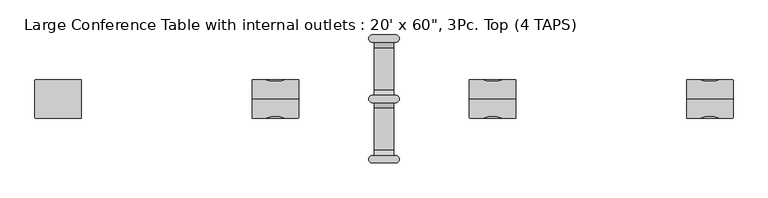
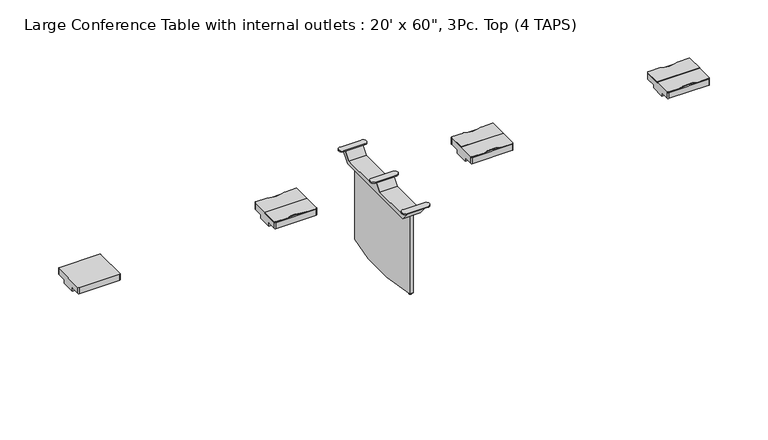
"""IFC4 building model written with IfcOpenShell, lengths in millimetres: furniture geometry."""

from ifc_helpers import new_model, si_unit, point, frame, frame_2d, origin, place, context, project, spatial, polyline, circle_curve, trimmed, segment, composite_curve, outline, extrude, source, transform, mapped, element, save
from ifc_brep_helpers import plane_surface, cylinder_surface, advanced_brep


def furniture_c6bd7531(model_context):
    return source(origin(), model_context, "Body", "SolidModel", [
        advanced_brep(
        [(63.4999939, 377.4971366, 685.8), (63.4999939, 334.1229042, 632.231419), (63.4999939, 58.0644064, 632.231419), (63.4999939, 14.690174, 685.8), (63.4999939, -14.690174, 685.8), (63.4999939, -58.0644064, 632.231419), (63.4999939, -334.1229042, 632.231419), (63.4999939, -377.4971366, 685.8), (63.4999939, -413.041021, 685.8), (63.4999939, -346.0750202, 603.6564), (63.4999939, 346.0750202, 603.6564), (63.4999939, 413.041021, 685.8), (-63.4999939, 413.041021, 685.8), (-63.4999939, 346.0750202, 603.6564), (-63.4999939, -346.0750202, 603.6564), (-63.4999939, -413.041021, 685.8), (-63.4999939, -377.4971366, 685.8), (-63.4999939, -334.1229042, 632.231419), (-63.4999939, -58.0644064, 632.231419), (-63.4999939, -14.690174, 685.8), (-63.4999939, 14.690174, 685.8), (-63.4999939, 58.0644064, 632.231419), (-63.4999939, 334.1229042, 632.231419), (-63.4999939, 377.4971366, 685.8), (-76.1999939, 371.1471366, 692.15), (76.1999939, 371.1471366, 692.15), (76.1999939, 419.391021, 692.15), (-76.1999939, 419.391021, 692.15), (-76.1999939, 371.1471366, 685.8), (-76.1999939, 419.391021, 685.8), (76.1999939, 419.391021, 685.8), (76.1999939, 371.1471366, 685.8), (-76.1999939, 24.1219422, 692.15), (-76.1999939, -24.1219422, 692.15), (76.1999939, -24.1219422, 692.15), (76.1999939, 24.1219422, 692.15), (-76.1999939, 24.1219422, 685.8), (76.1999939, 24.1219422, 685.8), (76.1999939, -24.1219422, 685.8), (-76.1999939, -24.1219422, 685.8), (-76.1999939, -371.1471366, 692.15), (-76.1999939, -419.391021, 692.15), (76.1999939, -419.391021, 692.15), (76.1999939, -371.1471366, 692.15), (-76.1999939, -371.1471366, 685.8), (76.1999939, -371.1471366, 685.8), (76.1999939, -419.391021, 685.8), (-76.1999939, -419.391021, 685.8)],
        [
            (0, 1),
            (1, 2),
            (2, 3),
            (3, 4),
            (4, 5),
            (5, 6),
            (6, 7),
            (7, 8),
            (8, 9),
            (9, 10),
            (10, 11),
            (11, 0),
            (12, 13),
            (13, 14),
            (14, 15),
            (15, 16),
            (16, 17),
            (17, 18),
            (18, 19),
            (19, 20),
            (20, 21),
            (21, 22),
            (22, 23),
            (23, 12),
            (0, 23),
            (22, 1),
            (21, 2),
            (20, 3),
            (4, 19),
            (18, 5),
            (17, 6),
            (16, 7),
            (8, 15),
            (14, 9),
            (13, 10),
            (12, 11),
            (24, 25),
            (25, 26, circle_curve(frame((76.1999939, 395.2690788, 692.15), z_axis=(0.0, 0.0, 1.0), x_axis=(1.0, 0.0, 0.0)), 24.1219422)),
            (26, 27),
            (27, 24, circle_curve(frame((-76.1999939, 395.2690788, 692.15), z_axis=(0.0, 0.0, 1.0), x_axis=(1.0, 0.0, 0.0)), 24.1219422)),
            (28, 29, circle_curve(frame((-76.1999939, 395.2690788, 685.8), z_axis=(0.0, 0.0, -1.0), x_axis=(1.0, 0.0, 0.0)), 24.1219422)),
            (29, 30),
            (30, 31, circle_curve(frame((76.1999939, 395.2690788, 685.8), z_axis=(0.0, 0.0, -1.0), x_axis=(1.0, 0.0, 0.0)), 24.1219422)),
            (31, 28),
            (24, 28),
            (31, 25),
            (30, 26),
            (29, 27),
            (32, 33, circle_curve(frame((-76.1999939, 0.0, 692.15), z_axis=(0.0, 0.0, 1.0), x_axis=(1.0, 0.0, 0.0)), 24.1219422)),
            (33, 34),
            (34, 35, circle_curve(frame((76.1999939, 0.0, 692.15), z_axis=(0.0, 0.0, 1.0), x_axis=(1.0, 0.0, 0.0)), 24.1219422)),
            (35, 32),
            (36, 37),
            (37, 38, circle_curve(frame((76.1999939, 0.0, 685.8), z_axis=(0.0, 0.0, -1.0), x_axis=(1.0, 0.0, 0.0)), 24.1219422)),
            (38, 39),
            (39, 36, circle_curve(frame((-76.1999939, 0.0, 685.8), z_axis=(0.0, 0.0, -1.0), x_axis=(1.0, 0.0, 0.0)), 24.1219422)),
            (32, 36),
            (39, 33),
            (38, 34),
            (37, 35),
            (40, 41, circle_curve(frame((-76.1999939, -395.2690788, 692.15), z_axis=(0.0, 0.0, 1.0), x_axis=(1.0, 0.0, 0.0)), 24.1219422)),
            (41, 42),
            (42, 43, circle_curve(frame((76.1999939, -395.2690788, 692.15), z_axis=(0.0, 0.0, 1.0), x_axis=(1.0, 0.0, 0.0)), 24.1219422)),
            (43, 40),
            (44, 45),
            (45, 46, circle_curve(frame((76.1999939, -395.2690788, 685.8), z_axis=(0.0, 0.0, -1.0), x_axis=(1.0, 0.0, 0.0)), 24.1219422)),
            (46, 47),
            (47, 44, circle_curve(frame((-76.1999939, -395.2690788, 685.8), z_axis=(0.0, 0.0, -1.0), x_axis=(1.0, 0.0, 0.0)), 24.1219422)),
            (40, 44),
            (47, 41),
            (46, 42),
            (45, 43),
        ],
        [
            plane_surface(frame((63.4999939, 413.041021, 685.8), z_axis=(1.0, 0.0, 0.0), x_axis=(0.0, -1.0, 0.0))),
            plane_surface(frame((-63.4999939, 413.041021, 685.8), z_axis=(-1.0, 0.0, 0.0), x_axis=(0.0, 1.0, 0.0))),
            plane_surface(frame((63.4999939, 377.4971366, 685.8), z_axis=(0.0, -0.7771796582418651, 0.6292787767079531), x_axis=(-1.0, 0.0, 0.0))),
            plane_surface(frame((63.4999939, 334.1229042, 632.231419), z_axis=(0.0, 0.0, 1.0), x_axis=(-1.0, 0.0, 0.0))),
            plane_surface(frame((63.4999939, 58.0644064, 632.231419), z_axis=(0.0, 0.7771796582418641, 0.6292787767079544), x_axis=(-1.0, 0.0, 0.0))),
            plane_surface(frame((63.4999939, -14.690174, 685.8), z_axis=(0.0, -0.7771796582418647, 0.6292787767079535), x_axis=(-1.0, 0.0, 0.0))),
            plane_surface(frame((63.4999939, -58.0644064, 632.231419), z_axis=(0.0, 0.0, 1.0), x_axis=(-1.0, 0.0, 0.0))),
            plane_surface(frame((63.4999939, -334.1229042, 632.231419), z_axis=(0.0, 0.7771796582418651, 0.6292787767079531), x_axis=(-1.0, 0.0, 0.0))),
            plane_surface(frame((63.4999939, -413.041021, 685.8), z_axis=(0.0, -0.7750770363464348, -0.6318667483959157), x_axis=(-1.0, 0.0, 0.0))),
            plane_surface(frame((63.4999939, -346.0750202, 603.6564), z_axis=(0.0, 0.0, -1.0), x_axis=(-1.0, 0.0, 0.0))),
            plane_surface(frame((63.4999939, 346.0750202, 603.6564), z_axis=(0.0, 0.7750770363464435, -0.631866748395905), x_axis=(-1.0, 0.0, 0.0))),
            plane_surface(frame((57.7020398, 371.1471366, 692.15), z_axis=(0.0, 0.0, 1.0), x_axis=(1.0, 0.0, 0.0))),
            plane_surface(frame((57.7020398, 371.1471366, 685.8), z_axis=(0.0, 0.0, -1.0), x_axis=(-1.0, 0.0, 0.0))),
            plane_surface(frame((-76.1999939, 371.1471366, 692.15), z_axis=(0.0, -1.0, 0.0), x_axis=(0.0, 0.0, -1.0))),
            cylinder_surface(frame((76.1999939, 395.2690788, 685.8), z_axis=(0.0, 0.0, 1.0), x_axis=(1.0, 0.0, 0.0)), 24.1219422),
            plane_surface(frame((76.1999939, 419.391021, 692.15), z_axis=(0.0, 1.0, 0.0), x_axis=(0.0, 0.0, -1.0))),
            cylinder_surface(frame((-76.1999939, 395.2690788, 685.8), z_axis=(0.0, 0.0, 1.0), x_axis=(1.0, 0.0, 0.0)), 24.1219422),
            plane_surface(frame((-52.0780517, 0.0, 692.15), z_axis=(0.0, 0.0, 1.0), x_axis=(0.0, 1.0, 0.0))),
            plane_surface(frame((-52.0780517, 0.0, 685.8), z_axis=(0.0, 0.0, -1.0), x_axis=(0.0, -1.0, 0.0))),
            cylinder_surface(frame((-76.1999939, 0.0, 685.8), z_axis=(0.0, 0.0, 1.0), x_axis=(1.0, 0.0, 0.0)), 24.1219422),
            plane_surface(frame((-76.1999939, -24.1219422, 692.15), z_axis=(0.0, -1.0, 0.0), x_axis=(0.0, 0.0, -1.0))),
            cylinder_surface(frame((76.1999939, 0.0, 685.8), z_axis=(0.0, 0.0, 1.0), x_axis=(1.0, 0.0, 0.0)), 24.1219422),
            plane_surface(frame((76.1999939, 24.1219422, 692.15), z_axis=(0.0, 1.0, 0.0), x_axis=(0.0, 0.0, -1.0))),
            plane_surface(frame((-52.0780517, -395.2690788, 692.15), z_axis=(0.0, 0.0, 1.0), x_axis=(0.0, 1.0, 0.0))),
            plane_surface(frame((-52.0780517, -395.2690788, 685.8), z_axis=(0.0, 0.0, -1.0), x_axis=(0.0, -1.0, 0.0))),
            cylinder_surface(frame((-76.1999939, -395.2690788, 685.8), z_axis=(0.0, 0.0, 1.0), x_axis=(1.0, 0.0, 0.0)), 24.1219422),
            plane_surface(frame((-76.1999939, -419.391021, 692.15), z_axis=(0.0, -1.0, 0.0), x_axis=(0.0, 0.0, -1.0))),
            cylinder_surface(frame((76.1999939, -395.2690788, 685.8), z_axis=(0.0, 0.0, 1.0), x_axis=(1.0, 0.0, 0.0)), 24.1219422),
            plane_surface(frame((76.1999939, -371.1471366, 692.15), z_axis=(0.0, 1.0, 0.0), x_axis=(0.0, 0.0, -1.0))),
        ],
        [
            (0, [[1, 2, 3, 4, 5, 6, 7, 8, 9, 10, 11, 12]]),
            (1, [[13, 14, 15, 16, 17, 18, 19, 20, 21, 22, 23, 24]]),
            (2, [[-1, 25, -23, 26]]),
            (3, [[-2, -26, -22, 27]]),
            (4, [[-3, -27, -21, 28]]),
            (5, [[-5, 29, -19, 30]]),
            (6, [[-6, -30, -18, 31]]),
            (7, [[-7, -31, -17, 32]]),
            (8, [[-9, 33, -15, 34]]),
            (9, [[-10, -34, -14, 35]]),
            (10, [[-11, -35, -13, 36]]),
            (11, [[37, 38, 39, 40]]),
            (12, [[41, 42, 43, 44], [-12, -36, -24, -25]]),
            (13, [[-37, 45, -44, 46]]),
            (14, [[-38, -46, -43, 47]]),
            (15, [[-39, -47, -42, 48]]),
            (16, [[-40, -48, -41, -45]]),
            (17, [[49, 50, 51, 52]]),
            (18, [[53, 54, 55, 56], [-4, -28, -20, -29]]),
            (19, [[-49, 57, -56, 58]]),
            (20, [[-50, -58, -55, 59]]),
            (21, [[-51, -59, -54, 60]]),
            (22, [[-52, -60, -53, -57]]),
            (23, [[61, 62, 63, 64]]),
            (24, [[65, 66, 67, 68], [-8, -32, -16, -33]]),
            (25, [[-61, 69, -68, 70]]),
            (26, [[-62, -70, -67, 71]]),
            (27, [[-63, -71, -66, 72]]),
            (28, [[-64, -72, -65, -69]]),
        ],
    ),
        advanced_brep(
        [(-19.05, -127.0, 0.0), (-19.05, -137.31875, 0.0), (-19.05, -116.68125, 0.0), (-19.05, -123.03125, 9.525), (-19.05, -130.96875, 9.525), (-19.05, -127.0, 9.525), (-19.05, -123.03125, 6.35), (-19.05, -130.96875, 6.35), (-19.05, -116.68125, 6.35), (-19.05, -137.31875, 6.35)],
        [
            (0, 1),
            (1, 2, circle_curve(frame((-19.05, -127.0, 0.0), z_axis=(0.0, 0.0, -1.0), x_axis=(0.0, -1.0, 0.0)), 10.31875)),
            (2, 0),
            (2, 1, circle_curve(frame((-19.05, -127.0, 0.0), z_axis=(0.0, 0.0, -1.0), x_axis=(0.0, -1.0, 0.0)), 10.31875)),
            (3, 4, circle_curve(frame((-19.05, -127.0, 9.525), z_axis=(0.0, 0.0, 1.0), x_axis=(0.0, -1.0, 0.0)), 3.96875)),
            (4, 5),
            (5, 3),
            (4, 3, circle_curve(frame((-19.05, -127.0, 9.525), z_axis=(0.0, 0.0, 1.0), x_axis=(0.0, -1.0, 0.0)), 3.96875)),
            (6, 7, circle_curve(frame((-19.05, -127.0, 6.35), z_axis=(0.0, 0.0, 1.0), x_axis=(0.0, -1.0, 0.0)), 3.96875)),
            (7, 4),
            (3, 6),
            (7, 6, circle_curve(frame((-19.05, -127.0, 6.35), z_axis=(0.0, 0.0, 1.0), x_axis=(0.0, -1.0, 0.0)), 3.96875)),
            (8, 9, circle_curve(frame((-19.05, -127.0, 6.35), z_axis=(0.0, 0.0, 1.0), x_axis=(0.0, -1.0, 0.0)), 10.31875)),
            (9, 7),
            (6, 8),
            (9, 8, circle_curve(frame((-19.05, -127.0, 6.35), z_axis=(0.0, 0.0, 1.0), x_axis=(0.0, -1.0, 0.0)), 10.31875)),
            (1, 9),
            (8, 2),
        ],
        [
            plane_surface(frame((-19.05, -127.0, 0.0), z_axis=(0.0, 0.0, -1.0), x_axis=(0.0, -1.0, 0.0))),
            plane_surface(frame((-19.05, -127.0, 9.525), z_axis=(0.0, 0.0, 1.0), x_axis=(0.0, -1.0, 0.0))),
            cylinder_surface(frame((-19.05, -127.0, 2435.225), z_axis=(0.0, 0.0, -1.0), x_axis=(0.0, -1.0, 0.0)), 3.96875),
            plane_surface(frame((-19.05, -127.0, 6.35), z_axis=(0.0, 0.0, 1.0), x_axis=(0.0, -1.0, 0.0))),
            cylinder_surface(frame((-19.05, -127.0, 2435.225), z_axis=(0.0, 0.0, -1.0), x_axis=(0.0, -1.0, 0.0)), 10.31875),
        ],
        [
            (0, [[1, 2, 3]]),
            (0, [[-3, 4, -1]]),
            (1, [[5, 6, 7]]),
            (1, [[8, -7, -6]]),
            (2, [[9, 10, -5, 11]]),
            (2, [[12, -11, -8, -10]]),
            (3, [[13, 14, -9, 15]]),
            (3, [[16, -15, -12, -14]]),
            (4, [[-2, 17, -13, 18]]),
            (4, [[-4, -18, -16, -17]]),
        ],
    ),
        advanced_brep(
        [(-19.05, 127.0, 0.0), (-19.05, 116.68125, 0.0), (-19.05, 137.31875, 0.0), (-19.05, 130.96875, 9.525), (-19.05, 123.03125, 9.525), (-19.05, 127.0, 9.525), (-19.05, 130.96875, 6.35), (-19.05, 123.03125, 6.35), (-19.05, 137.31875, 6.35), (-19.05, 116.68125, 6.35)],
        [
            (0, 1),
            (1, 2, circle_curve(frame((-19.05, 127.0, 0.0), z_axis=(0.0, 0.0, -1.0), x_axis=(0.0, -1.0, 0.0)), 10.31875)),
            (2, 0),
            (2, 1, circle_curve(frame((-19.05, 127.0, 0.0), z_axis=(0.0, 0.0, -1.0), x_axis=(0.0, -1.0, 0.0)), 10.31875)),
            (3, 4, circle_curve(frame((-19.05, 127.0, 9.525), z_axis=(0.0, 0.0, 1.0), x_axis=(0.0, -1.0, 0.0)), 3.96875)),
            (4, 5),
            (5, 3),
            (4, 3, circle_curve(frame((-19.05, 127.0, 9.525), z_axis=(0.0, 0.0, 1.0), x_axis=(0.0, -1.0, 0.0)), 3.96875)),
            (6, 7, circle_curve(frame((-19.05, 127.0, 6.35), z_axis=(0.0, 0.0, 1.0), x_axis=(0.0, -1.0, 0.0)), 3.96875)),
            (7, 4),
            (3, 6),
            (7, 6, circle_curve(frame((-19.05, 127.0, 6.35), z_axis=(0.0, 0.0, 1.0), x_axis=(0.0, -1.0, 0.0)), 3.96875)),
            (8, 9, circle_curve(frame((-19.05, 127.0, 6.35), z_axis=(0.0, 0.0, 1.0), x_axis=(0.0, -1.0, 0.0)), 10.31875)),
            (9, 7),
            (6, 8),
            (9, 8, circle_curve(frame((-19.05, 127.0, 6.35), z_axis=(0.0, 0.0, 1.0), x_axis=(0.0, -1.0, 0.0)), 10.31875)),
            (1, 9),
            (8, 2),
        ],
        [
            plane_surface(frame((-19.05, 127.0, 0.0), z_axis=(0.0, 0.0, -1.0), x_axis=(0.0, -1.0, 0.0))),
            plane_surface(frame((-19.05, 127.0, 9.525), z_axis=(0.0, 0.0, 1.0), x_axis=(0.0, -1.0, 0.0))),
            cylinder_surface(frame((-19.05, 127.0, 2435.225), z_axis=(0.0, 0.0, -1.0), x_axis=(0.0, -1.0, 0.0)), 3.96875),
            plane_surface(frame((-19.05, 127.0, 6.35), z_axis=(0.0, 0.0, 1.0), x_axis=(0.0, -1.0, 0.0))),
            cylinder_surface(frame((-19.05, 127.0, 2435.225), z_axis=(0.0, 0.0, -1.0), x_axis=(0.0, -1.0, 0.0)), 10.31875),
        ],
        [
            (0, [[1, 2, 3]]),
            (0, [[-3, 4, -1]]),
            (1, [[5, 6, 7]]),
            (1, [[8, -7, -6]]),
            (2, [[9, 10, -5, 11]]),
            (2, [[12, -11, -8, -10]]),
            (3, [[13, 14, -9, 15]]),
            (3, [[16, -15, -12, -14]]),
            (4, [[-2, 17, -13, 18]]),
            (4, [[-4, -18, -16, -17]]),
        ],
    ),
        advanced_brep(
        [(19.05, -116.68125, 6.35), (19.05, -137.31875, 6.35), (19.05, -137.31875, 0.0), (19.05, -116.68125, 0.0), (19.05, -123.03125, 6.35), (19.05, -130.96875, 6.35), (19.05, -123.03125, 9.525), (19.05, -130.96875, 9.525), (19.05, -127.0, 9.525), (19.05, -127.0, 0.0)],
        [
            (0, 1, circle_curve(frame((19.05, -127.0, 6.35), z_axis=(0.0, 0.0, -1.0), x_axis=(0.0, -1.0, 0.0)), 10.31875)),
            (1, 2),
            (2, 3, circle_curve(frame((19.05, -127.0, 0.0), z_axis=(0.0, 0.0, 1.0), x_axis=(0.0, -1.0, 0.0)), 10.31875)),
            (3, 0),
            (1, 0, circle_curve(frame((19.05, -127.0, 6.35), z_axis=(0.0, 0.0, -1.0), x_axis=(0.0, -1.0, 0.0)), 10.31875)),
            (3, 2, circle_curve(frame((19.05, -127.0, 0.0), z_axis=(0.0, 0.0, 1.0), x_axis=(0.0, -1.0, 0.0)), 10.31875)),
            (4, 5, circle_curve(frame((19.05, -127.0, 6.35), z_axis=(0.0, 0.0, -1.0), x_axis=(0.0, -1.0, 0.0)), 3.96875)),
            (5, 1),
            (0, 4),
            (5, 4, circle_curve(frame((19.05, -127.0, 6.35), z_axis=(0.0, 0.0, -1.0), x_axis=(0.0, -1.0, 0.0)), 3.96875)),
            (6, 7, circle_curve(frame((19.05, -127.0, 9.525), z_axis=(0.0, 0.0, -1.0), x_axis=(0.0, -1.0, 0.0)), 3.96875)),
            (7, 5),
            (4, 6),
            (7, 6, circle_curve(frame((19.05, -127.0, 9.525), z_axis=(0.0, 0.0, -1.0), x_axis=(0.0, -1.0, 0.0)), 3.96875)),
            (8, 7),
            (6, 8),
            (2, 9),
            (9, 3),
        ],
        [
            cylinder_surface(frame((19.05, -127.0, 2435.225), z_axis=(0.0, 0.0, 1.0), x_axis=(0.0, -1.0, 0.0)), 10.31875),
            plane_surface(frame((19.05, -127.0, 6.35), z_axis=(0.0, 0.0, 1.0), x_axis=(0.0, -1.0, 0.0))),
            cylinder_surface(frame((19.05, -127.0, 2435.225), z_axis=(0.0, 0.0, 1.0), x_axis=(0.0, -1.0, 0.0)), 3.96875),
            plane_surface(frame((19.05, -127.0, 9.525), z_axis=(0.0, 0.0, 1.0), x_axis=(0.0, -1.0, 0.0))),
            plane_surface(frame((19.05, -127.0, 0.0), z_axis=(0.0, 0.0, -1.0), x_axis=(0.0, -1.0, 0.0))),
        ],
        [
            (0, [[1, 2, 3, 4]]),
            (0, [[5, -4, 6, -2]]),
            (1, [[7, 8, -1, 9]]),
            (1, [[10, -9, -5, -8]]),
            (2, [[11, 12, -7, 13]]),
            (2, [[14, -13, -10, -12]]),
            (3, [[15, -11, 16]]),
            (3, [[-16, -14, -15]]),
            (4, [[-3, 17, 18]]),
            (4, [[-6, -18, -17]]),
        ],
    ),
        advanced_brep(
        [(19.05, 137.31875, 6.35), (19.05, 116.68125, 6.35), (19.05, 116.68125, 0.0), (19.05, 137.31875, 0.0), (19.05, 130.96875, 6.35), (19.05, 123.03125, 6.35), (19.05, 130.96875, 9.525), (19.05, 123.03125, 9.525), (19.05, 127.0, 9.525), (19.05, 127.0, 0.0)],
        [
            (0, 1, circle_curve(frame((19.05, 127.0, 6.35), z_axis=(0.0, 0.0, -1.0), x_axis=(0.0, -1.0, 0.0)), 10.31875)),
            (1, 2),
            (2, 3, circle_curve(frame((19.05, 127.0, 0.0), z_axis=(0.0, 0.0, 1.0), x_axis=(0.0, -1.0, 0.0)), 10.31875)),
            (3, 0),
            (1, 0, circle_curve(frame((19.05, 127.0, 6.35), z_axis=(0.0, 0.0, -1.0), x_axis=(0.0, -1.0, 0.0)), 10.31875)),
            (3, 2, circle_curve(frame((19.05, 127.0, 0.0), z_axis=(0.0, 0.0, 1.0), x_axis=(0.0, -1.0, 0.0)), 10.31875)),
            (4, 5, circle_curve(frame((19.05, 127.0, 6.35), z_axis=(0.0, 0.0, -1.0), x_axis=(0.0, -1.0, 0.0)), 3.96875)),
            (5, 1),
            (0, 4),
            (5, 4, circle_curve(frame((19.05, 127.0, 6.35), z_axis=(0.0, 0.0, -1.0), x_axis=(0.0, -1.0, 0.0)), 3.96875)),
            (6, 7, circle_curve(frame((19.05, 127.0, 9.525), z_axis=(0.0, 0.0, -1.0), x_axis=(0.0, -1.0, 0.0)), 3.96875)),
            (7, 5),
            (4, 6),
            (7, 6, circle_curve(frame((19.05, 127.0, 9.525), z_axis=(0.0, 0.0, -1.0), x_axis=(0.0, -1.0, 0.0)), 3.96875)),
            (8, 7),
            (6, 8),
            (2, 9),
            (9, 3),
        ],
        [
            cylinder_surface(frame((19.05, 127.0, 2435.225), z_axis=(0.0, 0.0, 1.0), x_axis=(0.0, -1.0, 0.0)), 10.31875),
            plane_surface(frame((19.05, 127.0, 6.35), z_axis=(0.0, 0.0, 1.0), x_axis=(0.0, -1.0, 0.0))),
            cylinder_surface(frame((19.05, 127.0, 2435.225), z_axis=(0.0, 0.0, 1.0), x_axis=(0.0, -1.0, 0.0)), 3.96875),
            plane_surface(frame((19.05, 127.0, 9.525), z_axis=(0.0, 0.0, 1.0), x_axis=(0.0, -1.0, 0.0))),
            plane_surface(frame((19.05, 127.0, 0.0), z_axis=(0.0, 0.0, -1.0), x_axis=(0.0, -1.0, 0.0))),
        ],
        [
            (0, [[1, 2, 3, 4]]),
            (0, [[5, -4, 6, -2]]),
            (1, [[7, 8, -1, 9]]),
            (1, [[10, -9, -5, -8]]),
            (2, [[11, 12, -7, 13]]),
            (2, [[14, -13, -10, -12]]),
            (3, [[15, -11, 16]]),
            (3, [[-16, -14, -15]]),
            (4, [[-3, 17, 18]]),
            (4, [[-6, -18, -17]]),
        ],
    ),
        advanced_brep(
        [(0.0, 330.2, 0.0), (0.0, 319.88125, 0.0), (0.0, 340.51875, 0.0), (0.0, 334.16875, 9.525), (0.0, 326.23125, 9.525), (0.0, 330.2, 9.525), (0.0, 334.16875, 6.35), (0.0, 326.23125, 6.35), (0.0, 340.51875, 6.35), (0.0, 319.88125, 6.35)],
        [
            (0, 1),
            (1, 2, circle_curve(frame((0.0, 330.2, 0.0), z_axis=(0.0, 0.0, -1.0), x_axis=(0.0, -1.0, 0.0)), 10.31875)),
            (2, 0),
            (2, 1, circle_curve(frame((0.0, 330.2, 0.0), z_axis=(0.0, 0.0, -1.0), x_axis=(0.0, -1.0, 0.0)), 10.31875)),
            (3, 4, circle_curve(frame((0.0, 330.2, 9.525), z_axis=(0.0, 0.0, 1.0), x_axis=(0.0, -1.0, 0.0)), 3.96875)),
            (4, 5),
            (5, 3),
            (4, 3, circle_curve(frame((0.0, 330.2, 9.525), z_axis=(0.0, 0.0, 1.0), x_axis=(0.0, -1.0, 0.0)), 3.96875)),
            (6, 7, circle_curve(frame((0.0, 330.2, 6.35), z_axis=(0.0, 0.0, 1.0), x_axis=(0.0, -1.0, 0.0)), 3.96875)),
            (7, 4),
            (3, 6),
            (7, 6, circle_curve(frame((0.0, 330.2, 6.35), z_axis=(0.0, 0.0, 1.0), x_axis=(0.0, -1.0, 0.0)), 3.96875)),
            (8, 9, circle_curve(frame((0.0, 330.2, 6.35), z_axis=(0.0, 0.0, 1.0), x_axis=(0.0, -1.0, 0.0)), 10.31875)),
            (9, 7),
            (6, 8),
            (9, 8, circle_curve(frame((0.0, 330.2, 6.35), z_axis=(0.0, 0.0, 1.0), x_axis=(0.0, -1.0, 0.0)), 10.31875)),
            (1, 9),
            (8, 2),
        ],
        [
            plane_surface(frame((0.0, 330.2, 0.0), z_axis=(0.0, 0.0, -1.0), x_axis=(0.0, -1.0, 0.0))),
            plane_surface(frame((0.0, 330.2, 9.525), z_axis=(0.0, 0.0, 1.0), x_axis=(0.0, -1.0, 0.0))),
            cylinder_surface(frame((0.0, 330.2, 2435.225), z_axis=(0.0, 0.0, -1.0), x_axis=(0.0, -1.0, 0.0)), 3.96875),
            plane_surface(frame((0.0, 330.2, 6.35), z_axis=(0.0, 0.0, 1.0), x_axis=(0.0, -1.0, 0.0))),
            cylinder_surface(frame((0.0, 330.2, 2435.225), z_axis=(0.0, 0.0, -1.0), x_axis=(0.0, -1.0, 0.0)), 10.31875),
        ],
        [
            (0, [[1, 2, 3]]),
            (0, [[-3, 4, -1]]),
            (1, [[5, 6, 7]]),
            (1, [[8, -7, -6]]),
            (2, [[9, 10, -5, 11]]),
            (2, [[12, -11, -8, -10]]),
            (3, [[13, 14, -9, 15]]),
            (3, [[16, -15, -12, -14]]),
            (4, [[-2, 17, -13, 18]]),
            (4, [[-4, -18, -16, -17]]),
        ],
    ),
        advanced_brep(
        [(0.0, -330.2, 0.0), (0.0, -340.51875, 0.0), (0.0, -319.88125, 0.0), (0.0, -326.23125, 9.525), (0.0, -334.16875, 9.525), (0.0, -330.2, 9.525), (0.0, -326.23125, 6.35), (0.0, -334.16875, 6.35), (0.0, -319.88125, 6.35), (0.0, -340.51875, 6.35)],
        [
            (0, 1),
            (1, 2, circle_curve(frame((0.0, -330.2, 0.0), z_axis=(0.0, 0.0, -1.0), x_axis=(0.0, -1.0, 0.0)), 10.31875)),
            (2, 0),
            (2, 1, circle_curve(frame((0.0, -330.2, 0.0), z_axis=(0.0, 0.0, -1.0), x_axis=(0.0, -1.0, 0.0)), 10.31875)),
            (3, 4, circle_curve(frame((0.0, -330.2, 9.525), z_axis=(0.0, 0.0, 1.0), x_axis=(0.0, -1.0, 0.0)), 3.96875)),
            (4, 5),
            (5, 3),
            (4, 3, circle_curve(frame((0.0, -330.2, 9.525), z_axis=(0.0, 0.0, 1.0), x_axis=(0.0, -1.0, 0.0)), 3.96875)),
            (6, 7, circle_curve(frame((0.0, -330.2, 6.35), z_axis=(0.0, 0.0, 1.0), x_axis=(0.0, -1.0, 0.0)), 3.96875)),
            (7, 4),
            (3, 6),
            (7, 6, circle_curve(frame((0.0, -330.2, 6.35), z_axis=(0.0, 0.0, 1.0), x_axis=(0.0, -1.0, 0.0)), 3.96875)),
            (8, 9, circle_curve(frame((0.0, -330.2, 6.35), z_axis=(0.0, 0.0, 1.0), x_axis=(0.0, -1.0, 0.0)), 10.31875)),
            (9, 7),
            (6, 8),
            (9, 8, circle_curve(frame((0.0, -330.2, 6.35), z_axis=(0.0, 0.0, 1.0), x_axis=(0.0, -1.0, 0.0)), 10.31875)),
            (1, 9),
            (8, 2),
        ],
        [
            plane_surface(frame((0.0, -330.2, 0.0), z_axis=(0.0, 0.0, -1.0), x_axis=(0.0, -1.0, 0.0))),
            plane_surface(frame((0.0, -330.2, 9.525), z_axis=(0.0, 0.0, 1.0), x_axis=(0.0, -1.0, 0.0))),
            cylinder_surface(frame((0.0, -330.2, 2435.225), z_axis=(0.0, 0.0, -1.0), x_axis=(0.0, -1.0, 0.0)), 3.96875),
            plane_surface(frame((0.0, -330.2, 6.35), z_axis=(0.0, 0.0, 1.0), x_axis=(0.0, -1.0, 0.0))),
            cylinder_surface(frame((0.0, -330.2, 2435.225), z_axis=(0.0, 0.0, -1.0), x_axis=(0.0, -1.0, 0.0)), 10.31875),
        ],
        [
            (0, [[1, 2, 3]]),
            (0, [[-3, 4, -1]]),
            (1, [[5, 6, 7]]),
            (1, [[8, -7, -6]]),
            (2, [[9, 10, -5, 11]]),
            (2, [[12, -11, -8, -10]]),
            (3, [[13, 14, -9, 15]]),
            (3, [[16, -15, -12, -14]]),
            (4, [[-2, 17, -13, 18]]),
            (4, [[-4, -18, -16, -17]]),
        ],
    ),
        extrude(outline(composite_curve([segment(polyline([(-12.6999697, 342.9), (12.6999697, 342.9)]), True, "CONTINUOUS"), segment(trimmed(circle_curve(frame_2d((-1511.2987888, 0.0)), 1562.0987888), [point((12.6999697, 342.9))], [point((12.6999697, -342.9))], False, "CARTESIAN"), True, "CONTINUOUS"), segment(polyline([(12.6999697, -342.9), (-12.6999697, -342.9)]), True, "CONTINUOUS"), segment(trimmed(circle_curve(frame_2d((1511.2987888, 0.0)), 1562.0987888), [point((-12.6999697, -342.9))], [point((-12.6999697, 342.9))], False, "CARTESIAN"), True, "CONTINUOUS")], self_intersect=False)), frame((0.0, 0.0, 9.525), z_axis=(0.0, 0.0, 1.0), x_axis=(1.0, 0.0, 0.0)), (0.0, 0.0, 1.0), 594.1314),
        advanced_brep(
        [(857.25, 127.0, 717.55), (565.15, 127.0, 717.55), (558.8, 120.65, 717.55), (558.8, -120.65, 717.55), (565.15, -127.0, 717.55), (857.25, -127.0, 717.55), (863.6, -120.65, 717.55), (863.6, 120.65, 717.55), (857.25, 127.0, 673.1), (863.6, 120.65, 673.1), (863.6, 50.8, 673.1), (558.8, 50.8, 673.1), (558.8, 120.65, 673.1), (565.15, 127.0, 673.1), (863.6, -120.65, 673.1), (857.25, -127.0, 673.1), (565.15, -127.0, 673.1), (558.8, -120.65, 673.1), (558.8, -50.8, 673.1), (863.6, -50.8, 673.1), (558.8, 50.8, 647.7), (558.8, -50.8, 647.7), (863.6, -50.8, 647.7), (863.6, 50.8, 647.7)],
        [
            (0, 1),
            (1, 2, circle_curve(frame((565.15, 120.65, 717.55), z_axis=(0.0, 0.0, 1.0), x_axis=(1.0, 0.0, 0.0)), 6.35)),
            (2, 3),
            (3, 4, circle_curve(frame((565.15, -120.65, 717.55), z_axis=(0.0, 0.0, 1.0), x_axis=(1.0, 0.0, 0.0)), 6.35)),
            (4, 5),
            (5, 6, circle_curve(frame((857.25, -120.65, 717.55), z_axis=(0.0, 0.0, 1.0), x_axis=(1.0, 0.0, 0.0)), 6.35)),
            (6, 7),
            (7, 0, circle_curve(frame((857.25, 120.65, 717.55), z_axis=(0.0, 0.0, 1.0), x_axis=(1.0, 0.0, 0.0)), 6.35)),
            (8, 9, circle_curve(frame((857.25, 120.65, 673.1), z_axis=(0.0, 0.0, -1.0), x_axis=(1.0, 0.0, 0.0)), 6.35)),
            (9, 10),
            (10, 11),
            (11, 12),
            (12, 13, circle_curve(frame((565.15, 120.65, 673.1), z_axis=(0.0, 0.0, -1.0), x_axis=(1.0, 0.0, 0.0)), 6.35)),
            (13, 8),
            (14, 15, circle_curve(frame((857.25, -120.65, 673.1), z_axis=(0.0, 0.0, -1.0), x_axis=(1.0, 0.0, 0.0)), 6.35)),
            (15, 16),
            (16, 17, circle_curve(frame((565.15, -120.65, 673.1), z_axis=(0.0, 0.0, -1.0), x_axis=(1.0, 0.0, 0.0)), 6.35)),
            (17, 18),
            (18, 19),
            (19, 14),
            (0, 8),
            (13, 1),
            (12, 2),
            (11, 20),
            (20, 21),
            (21, 18),
            (17, 3),
            (16, 4),
            (15, 5),
            (14, 6),
            (19, 22),
            (22, 23),
            (23, 10),
            (9, 7),
            (22, 21),
            (20, 23),
        ],
        [
            plane_surface(frame((558.8, 127.0, 717.55), z_axis=(0.0, 0.0, 1.0), x_axis=(-1.0, 0.0, 0.0))),
            plane_surface(frame((558.8, 127.0, 673.1), z_axis=(0.0, 0.0, -1.0), x_axis=(1.0, 0.0, 0.0))),
            plane_surface(frame((857.25, 127.0, 717.55), z_axis=(0.0, 1.0, 0.0), x_axis=(0.0, 0.0, -1.0))),
            cylinder_surface(frame((565.15, 120.65, 673.1), z_axis=(0.0, 0.0, 1.0), x_axis=(1.0, 0.0, 0.0)), 6.35),
            plane_surface(frame((558.8, 120.65, 717.55), z_axis=(-1.0, 0.0, 0.0), x_axis=(0.0, 0.0, -1.0))),
            cylinder_surface(frame((565.15, -120.65, 673.1), z_axis=(0.0, 0.0, 1.0), x_axis=(1.0, 0.0, 0.0)), 6.35),
            plane_surface(frame((565.15, -127.0, 717.55), z_axis=(0.0, -1.0, 0.0), x_axis=(0.0, 0.0, -1.0))),
            cylinder_surface(frame((857.25, -120.65, 673.1), z_axis=(0.0, 0.0, 1.0), x_axis=(1.0, 0.0, 0.0)), 6.35),
            plane_surface(frame((863.6, -120.65, 717.55), z_axis=(1.0, 0.0, 0.0), x_axis=(0.0, 0.0, -1.0))),
            cylinder_surface(frame((857.25, 120.65, 673.1), z_axis=(0.0, 0.0, 1.0), x_axis=(1.0, 0.0, 0.0)), 6.35),
            plane_surface(frame((863.6, -50.8, 647.7), z_axis=(0.0, 0.0, -1.0), x_axis=(-1.0, 0.0, 0.0))),
            plane_surface(frame((863.6, 50.8, 647.7), z_axis=(0.0, 1.0, 0.0), x_axis=(-1.0, 0.0, 0.0))),
            plane_surface(frame((863.6, -50.8, 673.1), z_axis=(0.0, -1.0, 0.0), x_axis=(-1.0, 0.0, 0.0))),
        ],
        [
            (0, [[1, 2, 3, 4, 5, 6, 7, 8]]),
            (1, [[9, 10, 11, 12, 13, 14]]),
            (1, [[15, 16, 17, 18, 19, 20]]),
            (2, [[-1, 21, -14, 22]]),
            (3, [[-2, -22, -13, 23]]),
            (4, [[-3, -23, -12, 24, 25, 26, -18, 27]]),
            (5, [[-4, -27, -17, 28]]),
            (6, [[-5, -28, -16, 29]]),
            (7, [[-6, -29, -15, 30]]),
            (8, [[-7, -30, -20, 31, 32, 33, -10, 34]]),
            (9, [[-8, -34, -9, -21]]),
            (10, [[-32, 35, -25, 36]]),
            (11, [[-33, -36, -24, -11]]),
            (12, [[-31, -19, -26, -35]]),
        ],
    ),
        extrude(outline(composite_curve([segment(polyline([(558.8, 1.5875), (558.8, 120.65)]), True, "CONTINUOUS"), segment(trimmed(circle_curve(frame_2d((565.15, 120.65)), 6.35), [point((558.8, 120.65))], [point((565.15, 127.0))], False, "CARTESIAN"), True, "CONTINUOUS"), segment(polyline([(565.15, 127.0), (646.4424522, 127.0)]), True, "CONTINUOUS"), segment(trimmed(circle_curve(frame_2d((646.4424522, 120.65)), 6.35), [point((646.4424522, 127.0))], [point((648.8408799, 126.5296296))], False, "CARTESIAN"), True, "CONTINUOUS"), segment(trimmed(circle_curve(frame_2d((711.2, 279.4)), 165.1), [point((648.8408799, 126.5296296))], [point((773.5591201, 126.5296296))], True, "CARTESIAN"), True, "CONTINUOUS"), segment(trimmed(circle_curve(frame_2d((775.9575478, 120.65)), 6.35), [point((773.5591201, 126.5296296))], [point((775.9575478, 127.0))], False, "CARTESIAN"), True, "CONTINUOUS"), segment(polyline([(775.9575478, 127.0), (857.25, 127.0)]), True, "CONTINUOUS"), segment(trimmed(circle_curve(frame_2d((857.25, 120.65)), 6.35), [point((857.25, 127.0))], [point((863.6, 120.65))], False, "CARTESIAN"), True, "CONTINUOUS"), segment(polyline([(863.6, 120.65), (863.6, 1.5875), (558.8, 1.5875)]), True, "CONTINUOUS")], self_intersect=False)), frame((0.0, 0.0, 717.55), z_axis=(0.0, 0.0, 1.0), x_axis=(1.0, 0.0, 0.0)), (0.0, 0.0, 1.0), 6.35),
        extrude(outline(composite_curve([segment(polyline([(646.4424522, -127.0), (565.15, -127.0)]), True, "CONTINUOUS"), segment(trimmed(circle_curve(frame_2d((565.15, -120.65)), 6.35), [point((565.15, -127.0))], [point((558.8, -120.65))], False, "CARTESIAN"), True, "CONTINUOUS"), segment(polyline([(558.8, -120.65), (558.8, -1.5875), (863.6, -1.5875), (863.6, -120.65)]), True, "CONTINUOUS"), segment(trimmed(circle_curve(frame_2d((857.25, -120.65)), 6.35), [point((863.6, -120.65))], [point((857.25, -127.0))], False, "CARTESIAN"), True, "CONTINUOUS"), segment(polyline([(857.25, -127.0), (775.9575478, -127.0)]), True, "CONTINUOUS"), segment(trimmed(circle_curve(frame_2d((775.9575478, -120.65)), 6.35), [point((775.9575478, -127.0))], [point((773.5591201, -126.5296296))], False, "CARTESIAN"), True, "CONTINUOUS"), segment(trimmed(circle_curve(frame_2d((711.2, -279.4)), 165.1), [point((773.5591201, -126.5296296))], [point((648.8408799, -126.5296296))], True, "CARTESIAN"), True, "CONTINUOUS"), segment(trimmed(circle_curve(frame_2d((646.4424522, -120.65)), 6.35), [point((648.8408799, -126.5296296))], [point((646.4424522, -127.0))], False, "CARTESIAN"), True, "CONTINUOUS")], self_intersect=False)), frame((0.0, 0.0, 717.55), z_axis=(0.0, 0.0, 1.0), x_axis=(1.0, 0.0, 0.0)), (0.0, 0.0, 1.0), 6.35),
        advanced_brep(
        [(-565.15, 127.0, 717.55), (-857.25, 127.0, 717.55), (-863.6, 120.65, 717.55), (-863.6, -120.65, 717.55), (-857.25, -127.0, 717.55), (-565.15, -127.0, 717.55), (-558.8, -120.65, 717.55), (-558.8, 120.65, 717.55), (-565.15, 127.0, 673.1), (-558.8, 120.65, 673.1), (-558.8, 50.8, 673.1), (-863.6, 50.8, 673.1), (-863.6, 120.65, 673.1), (-857.25, 127.0, 673.1), (-558.8, -120.65, 673.1), (-565.15, -127.0, 673.1), (-857.25, -127.0, 673.1), (-863.6, -120.65, 673.1), (-863.6, -50.8, 673.1), (-558.8, -50.8, 673.1), (-863.6, 50.8, 647.7), (-863.6, -50.8, 647.7), (-558.8, -50.8, 647.7), (-558.8, 50.8, 647.7)],
        [
            (0, 1),
            (1, 2, circle_curve(frame((-857.25, 120.65, 717.55), z_axis=(0.0, 0.0, 1.0), x_axis=(1.0, 0.0, 0.0)), 6.35)),
            (2, 3),
            (3, 4, circle_curve(frame((-857.25, -120.65, 717.55), z_axis=(0.0, 0.0, 1.0), x_axis=(1.0, 0.0, 0.0)), 6.35)),
            (4, 5),
            (5, 6, circle_curve(frame((-565.15, -120.65, 717.55), z_axis=(0.0, 0.0, 1.0), x_axis=(1.0, 0.0, 0.0)), 6.35)),
            (6, 7),
            (7, 0, circle_curve(frame((-565.15, 120.65, 717.55), z_axis=(0.0, 0.0, 1.0), x_axis=(1.0, 0.0, 0.0)), 6.35)),
            (8, 9, circle_curve(frame((-565.15, 120.65, 673.1), z_axis=(0.0, 0.0, -1.0), x_axis=(1.0, 0.0, 0.0)), 6.35)),
            (9, 10),
            (10, 11),
            (11, 12),
            (12, 13, circle_curve(frame((-857.25, 120.65, 673.1), z_axis=(0.0, 0.0, -1.0), x_axis=(1.0, 0.0, 0.0)), 6.35)),
            (13, 8),
            (14, 15, circle_curve(frame((-565.15, -120.65, 673.1), z_axis=(0.0, 0.0, -1.0), x_axis=(1.0, 0.0, 0.0)), 6.35)),
            (15, 16),
            (16, 17, circle_curve(frame((-857.25, -120.65, 673.1), z_axis=(0.0, 0.0, -1.0), x_axis=(1.0, 0.0, 0.0)), 6.35)),
            (17, 18),
            (18, 19),
            (19, 14),
            (0, 8),
            (13, 1),
            (12, 2),
            (11, 20),
            (20, 21),
            (21, 18),
            (17, 3),
            (16, 4),
            (15, 5),
            (14, 6),
            (19, 22),
            (22, 23),
            (23, 10),
            (9, 7),
            (22, 21),
            (20, 23),
        ],
        [
            plane_surface(frame((-863.6, 127.0, 717.55), z_axis=(0.0, 0.0, 1.0), x_axis=(-1.0, 0.0, 0.0))),
            plane_surface(frame((-863.6, 127.0, 673.1), z_axis=(0.0, 0.0, -1.0), x_axis=(1.0, 0.0, 0.0))),
            plane_surface(frame((-565.15, 127.0, 717.55), z_axis=(0.0, 1.0, 0.0), x_axis=(0.0, 0.0, -1.0))),
            cylinder_surface(frame((-857.25, 120.65, 673.1), z_axis=(0.0, 0.0, 1.0), x_axis=(1.0, 0.0, 0.0)), 6.35),
            plane_surface(frame((-863.6, 120.65, 717.55), z_axis=(-1.0, 0.0, 0.0), x_axis=(0.0, 0.0, -1.0))),
            cylinder_surface(frame((-857.25, -120.65, 673.1), z_axis=(0.0, 0.0, 1.0), x_axis=(1.0, 0.0, 0.0)), 6.35),
            plane_surface(frame((-857.25, -127.0, 717.55), z_axis=(0.0, -1.0, 0.0), x_axis=(0.0, 0.0, -1.0))),
            cylinder_surface(frame((-565.15, -120.65, 673.1), z_axis=(0.0, 0.0, 1.0), x_axis=(1.0, 0.0, 0.0)), 6.35),
            plane_surface(frame((-558.8, -120.65, 717.55), z_axis=(1.0, 0.0, 0.0), x_axis=(0.0, 0.0, -1.0))),
            cylinder_surface(frame((-565.15, 120.65, 673.1), z_axis=(0.0, 0.0, 1.0), x_axis=(1.0, 0.0, 0.0)), 6.35),
            plane_surface(frame((-558.8, -50.8, 647.7), z_axis=(0.0, 0.0, -1.0), x_axis=(-1.0, 0.0, 0.0))),
            plane_surface(frame((-558.8, 50.8, 647.7), z_axis=(0.0, 1.0, 0.0), x_axis=(-1.0, 0.0, 0.0))),
            plane_surface(frame((-558.8, -50.8, 673.1), z_axis=(0.0, -1.0, 0.0), x_axis=(-1.0, 0.0, 0.0))),
        ],
        [
            (0, [[1, 2, 3, 4, 5, 6, 7, 8]]),
            (1, [[9, 10, 11, 12, 13, 14]]),
            (1, [[15, 16, 17, 18, 19, 20]]),
            (2, [[-1, 21, -14, 22]]),
            (3, [[-2, -22, -13, 23]]),
            (4, [[-3, -23, -12, 24, 25, 26, -18, 27]]),
            (5, [[-4, -27, -17, 28]]),
            (6, [[-5, -28, -16, 29]]),
            (7, [[-6, -29, -15, 30]]),
            (8, [[-7, -30, -20, 31, 32, 33, -10, 34]]),
            (9, [[-8, -34, -9, -21]]),
            (10, [[-32, 35, -25, 36]]),
            (11, [[-33, -36, -24, -11]]),
            (12, [[-31, -19, -26, -35]]),
        ],
    ),
        extrude(outline(composite_curve([segment(polyline([(-863.6, 1.5875), (-863.6, 120.65)]), True, "CONTINUOUS"), segment(trimmed(circle_curve(frame_2d((-857.25, 120.65)), 6.35), [point((-863.6, 120.65))], [point((-857.25, 127.0))], False, "CARTESIAN"), True, "CONTINUOUS"), segment(polyline([(-857.25, 127.0), (-775.9575478, 127.0)]), True, "CONTINUOUS"), segment(trimmed(circle_curve(frame_2d((-775.9575478, 120.65)), 6.35), [point((-775.9575478, 127.0))], [point((-773.5591201, 126.5296296))], False, "CARTESIAN"), True, "CONTINUOUS"), segment(trimmed(circle_curve(frame_2d((-711.2, 279.4)), 165.1), [point((-773.5591201, 126.5296296))], [point((-648.8408799, 126.5296296))], True, "CARTESIAN"), True, "CONTINUOUS"), segment(trimmed(circle_curve(frame_2d((-646.4424522, 120.65)), 6.35), [point((-648.8408799, 126.5296296))], [point((-646.4424522, 127.0))], False, "CARTESIAN"), True, "CONTINUOUS"), segment(polyline([(-646.4424522, 127.0), (-565.15, 127.0)]), True, "CONTINUOUS"), segment(trimmed(circle_curve(frame_2d((-565.15, 120.65)), 6.35), [point((-565.15, 127.0))], [point((-558.8, 120.65))], False, "CARTESIAN"), True, "CONTINUOUS"), segment(polyline([(-558.8, 120.65), (-558.8, 1.5875), (-863.6, 1.5875)]), True, "CONTINUOUS")], self_intersect=False)), frame((0.0, 0.0, 717.55), z_axis=(0.0, 0.0, 1.0), x_axis=(1.0, 0.0, 0.0)), (0.0, 0.0, 1.0), 6.35),
        extrude(outline(composite_curve([segment(polyline([(-775.9575478, -127.0), (-857.25, -127.0)]), True, "CONTINUOUS"), segment(trimmed(circle_curve(frame_2d((-857.25, -120.65)), 6.35), [point((-857.25, -127.0))], [point((-863.6, -120.65))], False, "CARTESIAN"), True, "CONTINUOUS"), segment(polyline([(-863.6, -120.65), (-863.6, -1.5875), (-558.8, -1.5875), (-558.8, -120.65)]), True, "CONTINUOUS"), segment(trimmed(circle_curve(frame_2d((-565.15, -120.65)), 6.35), [point((-558.8, -120.65))], [point((-565.15, -127.0))], False, "CARTESIAN"), True, "CONTINUOUS"), segment(polyline([(-565.15, -127.0), (-646.4424522, -127.0)]), True, "CONTINUOUS"), segment(trimmed(circle_curve(frame_2d((-646.4424522, -120.65)), 6.35), [point((-646.4424522, -127.0))], [point((-648.8408799, -126.5296296))], False, "CARTESIAN"), True, "CONTINUOUS"), segment(trimmed(circle_curve(frame_2d((-711.2, -279.4)), 165.1), [point((-648.8408799, -126.5296296))], [point((-773.5591201, -126.5296296))], True, "CARTESIAN"), True, "CONTINUOUS"), segment(trimmed(circle_curve(frame_2d((-775.9575478, -120.65)), 6.35), [point((-773.5591201, -126.5296296))], [point((-775.9575478, -127.0))], False, "CARTESIAN"), True, "CONTINUOUS")], self_intersect=False)), frame((0.0, 0.0, 717.55), z_axis=(0.0, 0.0, 1.0), x_axis=(1.0, 0.0, 0.0)), (0.0, 0.0, 1.0), 6.35),
        advanced_brep(
        [(2279.65, 127.0, 717.55), (1987.55, 127.0, 717.55), (1981.2, 120.65, 717.55), (1981.2, -120.65, 717.55), (1987.55, -127.0, 717.55), (2279.65, -127.0, 717.55), (2286.0, -120.65, 717.55), (2286.0, 120.65, 717.55), (2279.65, 127.0, 673.1), (2286.0, 120.65, 673.1), (2286.0, 50.8, 673.1), (1981.2, 50.8, 673.1), (1981.2, 120.65, 673.1), (1987.55, 127.0, 673.1), (2286.0, -120.65, 673.1), (2279.65, -127.0, 673.1), (1987.55, -127.0, 673.1), (1981.2, -120.65, 673.1), (1981.2, -50.8, 673.1), (2286.0, -50.8, 673.1), (1981.2, 50.8, 647.7), (1981.2, -50.8, 647.7), (2286.0, -50.8, 647.7), (2286.0, 50.8, 647.7)],
        [
            (0, 1),
            (1, 2, circle_curve(frame((1987.55, 120.65, 717.55), z_axis=(0.0, 0.0, 1.0), x_axis=(1.0, 0.0, 0.0)), 6.35)),
            (2, 3),
            (3, 4, circle_curve(frame((1987.55, -120.65, 717.55), z_axis=(0.0, 0.0, 1.0), x_axis=(1.0, 0.0, 0.0)), 6.35)),
            (4, 5),
            (5, 6, circle_curve(frame((2279.65, -120.65, 717.55), z_axis=(0.0, 0.0, 1.0), x_axis=(1.0, 0.0, 0.0)), 6.35)),
            (6, 7),
            (7, 0, circle_curve(frame((2279.65, 120.65, 717.55), z_axis=(0.0, 0.0, 1.0), x_axis=(1.0, 0.0, 0.0)), 6.35)),
            (8, 9, circle_curve(frame((2279.65, 120.65, 673.1), z_axis=(0.0, 0.0, -1.0), x_axis=(1.0, 0.0, 0.0)), 6.35)),
            (9, 10),
            (10, 11),
            (11, 12),
            (12, 13, circle_curve(frame((1987.55, 120.65, 673.1), z_axis=(0.0, 0.0, -1.0), x_axis=(1.0, 0.0, 0.0)), 6.35)),
            (13, 8),
            (14, 15, circle_curve(frame((2279.65, -120.65, 673.1), z_axis=(0.0, 0.0, -1.0), x_axis=(1.0, 0.0, 0.0)), 6.35)),
            (15, 16),
            (16, 17, circle_curve(frame((1987.55, -120.65, 673.1), z_axis=(0.0, 0.0, -1.0), x_axis=(1.0, 0.0, 0.0)), 6.35)),
            (17, 18),
            (18, 19),
            (19, 14),
            (0, 8),
            (13, 1),
            (12, 2),
            (11, 20),
            (20, 21),
            (21, 18),
            (17, 3),
            (16, 4),
            (15, 5),
            (14, 6),
            (19, 22),
            (22, 23),
            (23, 10),
            (9, 7),
            (22, 21),
            (20, 23),
        ],
        [
            plane_surface(frame((1981.2, 127.0, 717.55), z_axis=(0.0, 0.0, 1.0), x_axis=(-1.0, 0.0, 0.0))),
            plane_surface(frame((1981.2, 127.0, 673.1), z_axis=(0.0, 0.0, -1.0), x_axis=(1.0, 0.0, 0.0))),
            plane_surface(frame((2279.65, 127.0, 717.55), z_axis=(0.0, 1.0, 0.0), x_axis=(0.0, 0.0, -1.0))),
            cylinder_surface(frame((1987.55, 120.65, 673.1), z_axis=(0.0, 0.0, 1.0), x_axis=(1.0, 0.0, 0.0)), 6.35),
            plane_surface(frame((1981.2, 120.65, 717.55), z_axis=(-1.0, 0.0, 0.0), x_axis=(0.0, 0.0, -1.0))),
            cylinder_surface(frame((1987.55, -120.65, 673.1), z_axis=(0.0, 0.0, 1.0), x_axis=(1.0, 0.0, 0.0)), 6.35),
            plane_surface(frame((1987.55, -127.0, 717.55), z_axis=(0.0, -1.0, 0.0), x_axis=(0.0, 0.0, -1.0))),
            cylinder_surface(frame((2279.65, -120.65, 673.1), z_axis=(0.0, 0.0, 1.0), x_axis=(1.0, 0.0, 0.0)), 6.35),
            plane_surface(frame((2286.0, -120.65, 717.55), z_axis=(1.0, 0.0, 0.0), x_axis=(0.0, 0.0, -1.0))),
            cylinder_surface(frame((2279.65, 120.65, 673.1), z_axis=(0.0, 0.0, 1.0), x_axis=(1.0, 0.0, 0.0)), 6.35),
            plane_surface(frame((2286.0, -50.8, 647.7), z_axis=(0.0, 0.0, -1.0), x_axis=(-1.0, 0.0, 0.0))),
            plane_surface(frame((2286.0, 50.8, 647.7), z_axis=(0.0, 1.0, 0.0), x_axis=(-1.0, 0.0, 0.0))),
            plane_surface(frame((2286.0, -50.8, 673.1), z_axis=(0.0, -1.0, 0.0), x_axis=(-1.0, 0.0, 0.0))),
        ],
        [
            (0, [[1, 2, 3, 4, 5, 6, 7, 8]]),
            (1, [[9, 10, 11, 12, 13, 14]]),
            (1, [[15, 16, 17, 18, 19, 20]]),
            (2, [[-1, 21, -14, 22]]),
            (3, [[-2, -22, -13, 23]]),
            (4, [[-3, -23, -12, 24, 25, 26, -18, 27]]),
            (5, [[-4, -27, -17, 28]]),
            (6, [[-5, -28, -16, 29]]),
            (7, [[-6, -29, -15, 30]]),
            (8, [[-7, -30, -20, 31, 32, 33, -10, 34]]),
            (9, [[-8, -34, -9, -21]]),
            (10, [[-32, 35, -25, 36]]),
            (11, [[-33, -36, -24, -11]]),
            (12, [[-31, -19, -26, -35]]),
        ],
    ),
        extrude(outline(composite_curve([segment(polyline([(1981.2, 1.5875), (1981.2, 120.65)]), True, "CONTINUOUS"), segment(trimmed(circle_curve(frame_2d((1987.55, 120.65)), 6.35), [point((1981.2, 120.65))], [point((1987.55, 127.0))], False, "CARTESIAN"), True, "CONTINUOUS"), segment(polyline([(1987.55, 127.0), (2068.8424522, 127.0)]), True, "CONTINUOUS"), segment(trimmed(circle_curve(frame_2d((2068.8424522, 120.65)), 6.35), [point((2068.8424522, 127.0))], [point((2071.2408799, 126.5296296))], False, "CARTESIAN"), True, "CONTINUOUS"), segment(trimmed(circle_curve(frame_2d((2133.6, 279.4)), 165.1), [point((2071.2408799, 126.5296296))], [point((2195.9591201, 126.5296296))], True, "CARTESIAN"), True, "CONTINUOUS"), segment(trimmed(circle_curve(frame_2d((2198.3575478, 120.65)), 6.35), [point((2195.9591201, 126.5296296))], [point((2198.3575478, 127.0))], False, "CARTESIAN"), True, "CONTINUOUS"), segment(polyline([(2198.3575478, 127.0), (2279.65, 127.0)]), True, "CONTINUOUS"), segment(trimmed(circle_curve(frame_2d((2279.65, 120.65)), 6.35), [point((2279.65, 127.0))], [point((2286.0, 120.65))], False, "CARTESIAN"), True, "CONTINUOUS"), segment(polyline([(2286.0, 120.65), (2286.0, 1.5875), (1981.2, 1.5875)]), True, "CONTINUOUS")], self_intersect=False)), frame((0.0, 0.0, 717.55), z_axis=(0.0, 0.0, 1.0), x_axis=(1.0, 0.0, 0.0)), (0.0, 0.0, 1.0), 6.35),
        extrude(outline(composite_curve([segment(polyline([(2068.8424522, -127.0), (1987.55, -127.0)]), True, "CONTINUOUS"), segment(trimmed(circle_curve(frame_2d((1987.55, -120.65)), 6.35), [point((1987.55, -127.0))], [point((1981.2, -120.65))], False, "CARTESIAN"), True, "CONTINUOUS"), segment(polyline([(1981.2, -120.65), (1981.2, -1.5875), (2286.0, -1.5875), (2286.0, -120.65)]), True, "CONTINUOUS"), segment(trimmed(circle_curve(frame_2d((2279.65, -120.65)), 6.35), [point((2286.0, -120.65))], [point((2279.65, -127.0))], False, "CARTESIAN"), True, "CONTINUOUS"), segment(polyline([(2279.65, -127.0), (2198.3575478, -127.0)]), True, "CONTINUOUS"), segment(trimmed(circle_curve(frame_2d((2198.3575478, -120.65)), 6.35), [point((2198.3575478, -127.0))], [point((2195.9591201, -126.5296296))], False, "CARTESIAN"), True, "CONTINUOUS"), segment(trimmed(circle_curve(frame_2d((2133.6, -279.4)), 165.1), [point((2195.9591201, -126.5296296))], [point((2071.2408799, -126.5296296))], True, "CARTESIAN"), True, "CONTINUOUS"), segment(trimmed(circle_curve(frame_2d((2068.8424522, -120.65)), 6.35), [point((2071.2408799, -126.5296296))], [point((2068.8424522, -127.0))], False, "CARTESIAN"), True, "CONTINUOUS")], self_intersect=False)), frame((0.0, 0.0, 717.55), z_axis=(0.0, 0.0, 1.0), x_axis=(1.0, 0.0, 0.0)), (0.0, 0.0, 1.0), 6.35),
        advanced_brep(
        [(-1987.55, 127.0, 717.55), (-2279.65, 127.0, 717.55), (-2286.0, 120.65, 717.55), (-2286.0, -120.65, 717.55), (-2279.65, -127.0, 717.55), (-1987.55, -127.0, 717.55), (-1981.2, -120.65, 717.55), (-1981.2, 120.65, 717.55), (-1987.55, 127.0, 673.1), (-1981.2, 120.65, 673.1), (-1981.2, 50.8, 673.1), (-2286.0, 50.8, 673.1), (-2286.0, 120.65, 673.1), (-2279.65, 127.0, 673.1), (-1981.2, -120.65, 673.1), (-1987.55, -127.0, 673.1), (-2279.65, -127.0, 673.1), (-2286.0, -120.65, 673.1), (-2286.0, -50.8, 673.1), (-1981.2, -50.8, 673.1), (-2286.0, 50.8, 647.7), (-2286.0, -50.8, 647.7), (-1981.2, -50.8, 647.7), (-1981.2, 50.8, 647.7)],
        [
            (0, 1),
            (1, 2, circle_curve(frame((-2279.65, 120.65, 717.55), z_axis=(0.0, 0.0, 1.0), x_axis=(1.0, 0.0, 0.0)), 6.35)),
            (2, 3),
            (3, 4, circle_curve(frame((-2279.65, -120.65, 717.55), z_axis=(0.0, 0.0, 1.0), x_axis=(1.0, 0.0, 0.0)), 6.35)),
            (4, 5),
            (5, 6, circle_curve(frame((-1987.55, -120.65, 717.55), z_axis=(0.0, 0.0, 1.0), x_axis=(1.0, 0.0, 0.0)), 6.35)),
            (6, 7),
            (7, 0, circle_curve(frame((-1987.55, 120.65, 717.55), z_axis=(0.0, 0.0, 1.0), x_axis=(1.0, 0.0, 0.0)), 6.35)),
            (8, 9, circle_curve(frame((-1987.55, 120.65, 673.1), z_axis=(0.0, 0.0, -1.0), x_axis=(1.0, 0.0, 0.0)), 6.35)),
            (9, 10),
            (10, 11),
            (11, 12),
            (12, 13, circle_curve(frame((-2279.65, 120.65, 673.1), z_axis=(0.0, 0.0, -1.0), x_axis=(1.0, 0.0, 0.0)), 6.35)),
            (13, 8),
            (14, 15, circle_curve(frame((-1987.55, -120.65, 673.1), z_axis=(0.0, 0.0, -1.0), x_axis=(1.0, 0.0, 0.0)), 6.35)),
            (15, 16),
            (16, 17, circle_curve(frame((-2279.65, -120.65, 673.1), z_axis=(0.0, 0.0, -1.0), x_axis=(1.0, 0.0, 0.0)), 6.35)),
            (17, 18),
            (18, 19),
            (19, 14),
            (0, 8),
            (13, 1),
            (12, 2),
            (11, 20),
            (20, 21),
            (21, 18),
            (17, 3),
            (16, 4),
            (15, 5),
            (14, 6),
            (19, 22),
            (22, 23),
            (23, 10),
            (9, 7),
            (22, 21),
            (20, 23),
        ],
        [
            plane_surface(frame((-2286.0, 127.0, 717.55), z_axis=(0.0, 0.0, 1.0), x_axis=(-1.0, 0.0, 0.0))),
            plane_surface(frame((-2286.0, 127.0, 673.1), z_axis=(0.0, 0.0, -1.0), x_axis=(1.0, 0.0, 0.0))),
            plane_surface(frame((-1987.55, 127.0, 717.55), z_axis=(0.0, 1.0, 0.0), x_axis=(0.0, 0.0, -1.0))),
            cylinder_surface(frame((-2279.65, 120.65, 673.1), z_axis=(0.0, 0.0, 1.0), x_axis=(1.0, 0.0, 0.0)), 6.35),
            plane_surface(frame((-2286.0, 120.65, 717.55), z_axis=(-1.0, 0.0, 0.0), x_axis=(0.0, 0.0, -1.0))),
            cylinder_surface(frame((-2279.65, -120.65, 673.1), z_axis=(0.0, 0.0, 1.0), x_axis=(1.0, 0.0, 0.0)), 6.35),
            plane_surface(frame((-2279.65, -127.0, 717.55), z_axis=(0.0, -1.0, 0.0), x_axis=(0.0, 0.0, -1.0))),
            cylinder_surface(frame((-1987.55, -120.65, 673.1), z_axis=(0.0, 0.0, 1.0), x_axis=(1.0, 0.0, 0.0)), 6.35),
            plane_surface(frame((-1981.2, -120.65, 717.55), z_axis=(1.0, 0.0, 0.0), x_axis=(0.0, 0.0, -1.0))),
            cylinder_surface(frame((-1987.55, 120.65, 673.1), z_axis=(0.0, 0.0, 1.0), x_axis=(1.0, 0.0, 0.0)), 6.35),
            plane_surface(frame((-1981.2, -50.8, 647.7), z_axis=(0.0, 0.0, -1.0), x_axis=(-1.0, 0.0, 0.0))),
            plane_surface(frame((-1981.2, 50.8, 647.7), z_axis=(0.0, 1.0, 0.0), x_axis=(-1.0, 0.0, 0.0))),
            plane_surface(frame((-1981.2, -50.8, 673.1), z_axis=(0.0, -1.0, 0.0), x_axis=(-1.0, 0.0, 0.0))),
        ],
        [
            (0, [[1, 2, 3, 4, 5, 6, 7, 8]]),
            (1, [[9, 10, 11, 12, 13, 14]]),
            (1, [[15, 16, 17, 18, 19, 20]]),
            (2, [[-1, 21, -14, 22]]),
            (3, [[-2, -22, -13, 23]]),
            (4, [[-3, -23, -12, 24, 25, 26, -18, 27]]),
            (5, [[-4, -27, -17, 28]]),
            (6, [[-5, -28, -16, 29]]),
            (7, [[-6, -29, -15, 30]]),
            (8, [[-7, -30, -20, 31, 32, 33, -10, 34]]),
            (9, [[-8, -34, -9, -21]]),
            (10, [[-32, 35, -25, 36]]),
            (11, [[-33, -36, -24, -11]]),
            (12, [[-31, -19, -26, -35]]),
        ],
    ),
    ])


if __name__ == "__main__":
    model = new_model("IFC4")
    model_context = context("Model", 3, world=origin())
    ifc_project = project(units=[si_unit("LENGTHUNIT", "METRE", prefix="MILLI")], contexts=[model_context])
    site = spatial("IfcSite", under=ifc_project)
    building = spatial("IfcBuilding", under=site)
    placement = place(None, origin())
    furniture_shape = furniture_c6bd7531(model_context)
    element("IfcFurniture", 1, ObjectType="Large Conference Table with internal outlets : 20' x 60\", 3Pc. Top (4 TAPS)", at=placement, inside=building, context=model_context, shape_type="MappedRepresentation", body=[
        mapped(furniture_shape, transform((0.0, 0.0, 0.0), x_axis=(1.0, 0.0, 0.0), y_axis=(0.0, 1.0, 0.0), z_axis=(0.0, 0.0, 1.0))),
    ])
    save(model, "model.ifc")
